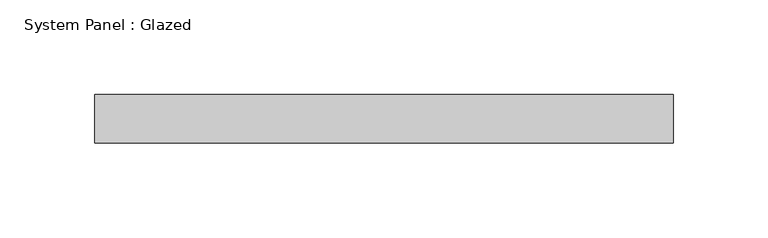
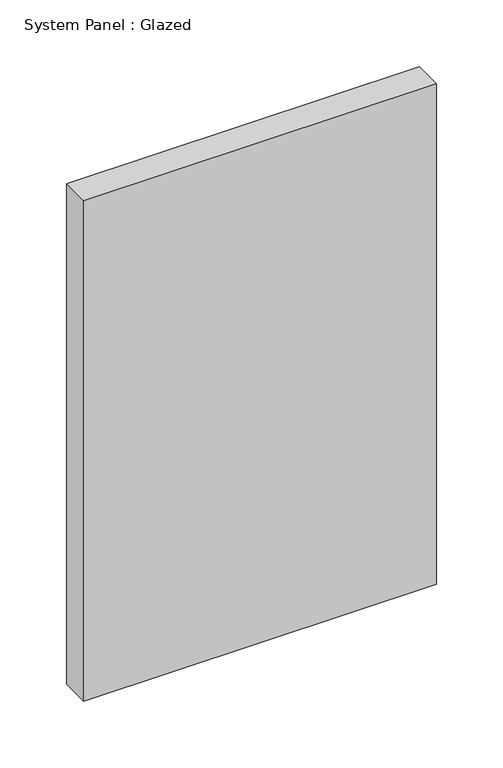
"""IFC4 building model written with IfcOpenShell, lengths in millimetres: plate geometry, System Panel : Glazed."""

from ifc_helpers import new_model, si_unit, origin, origin_with_axes, place, context, project, spatial, polyline, outline, extrude, source, transform, mapped, element, save


def system_panel_glazed_de05e32c(model_context):
    return source(origin(), model_context, "Body", "SweptSolid", [
        extrude(outline(polyline([(152.4, -12.7), (-152.4, -12.7), (-152.4, 12.7), (152.4, 12.7), (152.4, -12.7)])), origin_with_axes(), (0.0, 0.0, 1.0), 457.2),
    ])


if __name__ == "__main__":
    model = new_model("IFC4")
    model_context = context("Model", 3, world=origin())
    ifc_project = project(units=[si_unit("LENGTHUNIT", "METRE", prefix="MILLI")], contexts=[model_context])
    site = spatial("IfcSite", under=ifc_project)
    building = spatial("IfcBuilding", under=site)
    placement = place(None, origin())
    system_panel_glazed_shape = system_panel_glazed_de05e32c(model_context)
    element("IfcPlate", 1, ObjectType="System Panel : Glazed", at=placement, inside=building, context=model_context, shape_type="MappedRepresentation", body=[
        mapped(system_panel_glazed_shape, transform((0.0, 0.0, 0.0), x_axis=(1.0, 0.0, 0.0), y_axis=(0.0, 1.0, 0.0), z_axis=(0.0, 0.0, 1.0))),
    ])
    save(model, "model.ifc")
